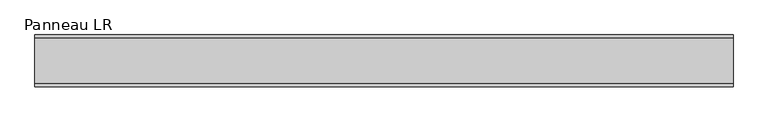
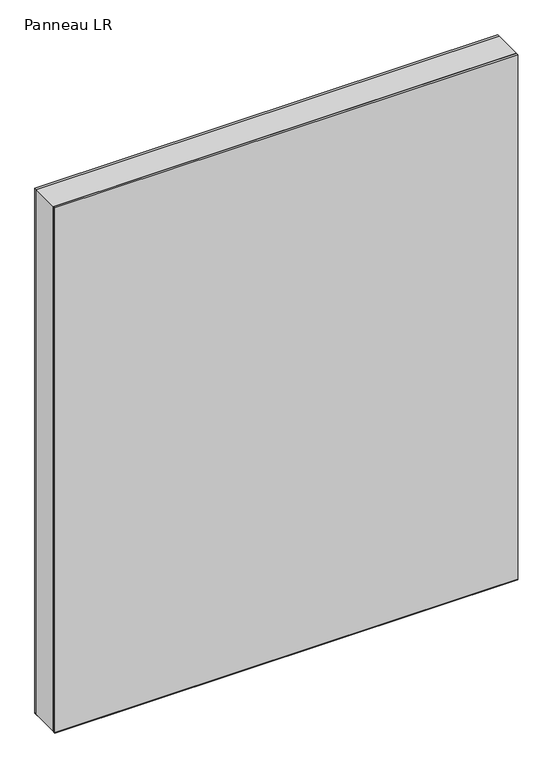
"""IFC4 building model written with IfcOpenShell, lengths in millimetres: plate geometry, Panneau LR."""

from ifc_helpers import new_model, si_unit, frame, origin, origin_with_axes, place, context, project, spatial, polyline, outline, extrude, source, transform, mapped, element, save


def panneau_lr_0d85ac56(model_context):
    return source(origin(), model_context, "Body", "SweptSolid", [
        extrude(outline(polyline([(1453.5, 606.6874999), (1453.5, -606.6874999), (0.0, -606.6874999), (0.0, 606.6874999), (1453.5, 606.6874999)]), holes=[polyline([(60.0, -566.6874999), (1393.5, -566.6874999), (1393.5, 566.6874999), (60.0, 566.6874999), (60.0, -566.6874999)])]), frame((0.0, -39.0, 0.0), z_axis=(0.0, 1.0, 0.0), x_axis=(0.0, 0.0, 1.0)), (0.0, 0.0, 1.0), 78.0),
        extrude(outline(polyline([(-606.6874999, 35.0), (-606.6874999, 45.0), (606.6874999, 45.0), (606.6874999, 35.0), (-606.6874999, 35.0)])), frame((0.0, 0.0, -1.5), z_axis=(0.0, 0.0, 1.0), x_axis=(1.0, 0.0, 0.0)), (0.0, 0.0, 1.0), 1.5),
        extrude(outline(polyline([(-606.6874999, -45.0), (-606.6874999, -35.0), (606.6874999, -35.0), (606.6874999, -45.0), (-606.6874999, -45.0)])), frame((0.0, 0.0, -1.5), z_axis=(0.0, 0.0, 1.0), x_axis=(1.0, 0.0, 0.0)), (0.0, 0.0, 1.0), 1.5),
        extrude(outline(polyline([(606.6874999, 39.0), (-606.6874999, 39.0), (-606.6874999, 45.0), (606.6874999, 45.0), (606.6874999, 39.0)])), origin_with_axes(), (0.0, 0.0, 1.0), 1453.5),
        extrude(outline(polyline([(-606.6874999, -45.0), (-606.6874999, -39.0), (606.6874999, -39.0), (606.6874999, -45.0), (-606.6874999, -45.0)])), origin_with_axes(), (0.0, 0.0, 1.0), 1453.5),
    ])


if __name__ == "__main__":
    model = new_model("IFC4")
    model_context = context("Model", 3, world=origin())
    ifc_project = project(units=[si_unit("LENGTHUNIT", "METRE", prefix="MILLI")], contexts=[model_context])
    site = spatial("IfcSite", under=ifc_project)
    building = spatial("IfcBuilding", under=site)
    placement = place(None, origin())
    panneau_lr_shape = panneau_lr_0d85ac56(model_context)
    element("IfcPlate", 1, ObjectType="Panneau LR", at=placement, inside=building, context=model_context, shape_type="MappedRepresentation", body=[
        mapped(panneau_lr_shape, transform((0.0, 0.0, 0.0), x_axis=(1.0, 0.0, 0.0), y_axis=(0.0, 1.0, 0.0), z_axis=(0.0, 0.0, 1.0))),
    ])
    save(model, "model.ifc")
